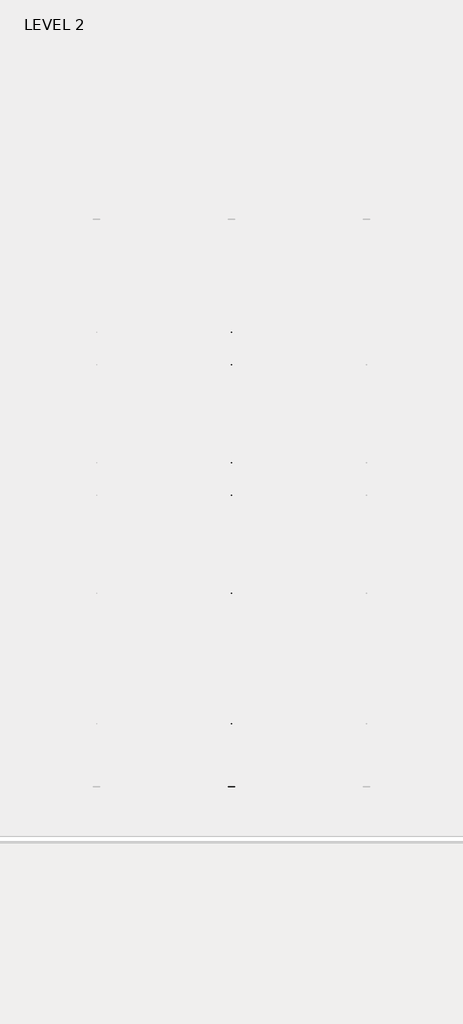
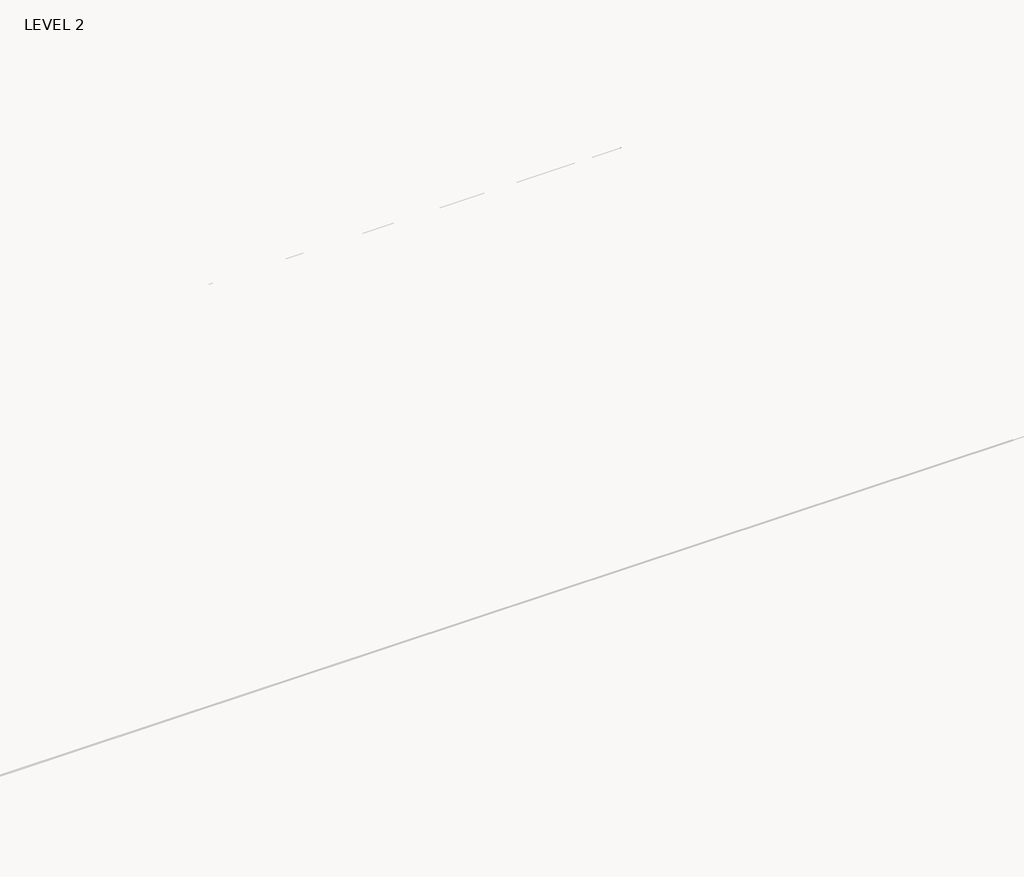
# One storey, part 21 of 67: 1 beam.
"""IFC4 building model written with IfcOpenShell, lengths in millimetres."""

from ifc_helpers import new_model, si_unit, frame, origin, place, context, project, spatial, polyline, outline, extrude, faceted_brep, element, save

model = new_model("IFC4")

# Units and contexts
model_context = context("Model", 3, world=origin())
ifc_project = project(units=[si_unit("LENGTHUNIT", "METRE", prefix="MILLI")], contexts=[model_context])

# Site, building, storey
site = spatial("IfcSite", under=ifc_project)
building = spatial("IfcBuilding", under=site)
storey = spatial("IfcBuildingStorey", under=building, Name="LEVEL 2", Elevation=6908.8)

# Beam
placement = place(None, origin())
element("IfcBeam", 1, ObjectType="K-Series Bar Joist-Angle Web : 12K3", at=placement, inside=storey, context=model_context, shape_type="SolidModel", body=[
    extrude(outline(polyline([(0.0, -9.525), (0.0, 0.0), (573.7533356, 0.0), (573.7533356, -9.525), (0.0, -9.525)])), frame((21757.2014942, -8384.1766844, 6274.5672718), z_axis=(0.0, -0.4795411183376203, 0.877519410510961), x_axis=(0.0, -0.877519410510961, -0.4795411183376203)), (0.0, 0.0, 1.0), 9.525),
    extrude(outline(polyline([(0.0, -9.525), (0.0, 0.0), (573.7533355, 0.0), (573.7533355, -9.525), (0.0, -9.525)])), frame((21747.6764942, -14434.54948, 6173.6092147), z_axis=(0.0, 0.44999728246087634, 0.8930299243462261), x_axis=(0.0, 0.8930299243462261, -0.44999728246087634)), (0.0, 0.0, 1.0), 9.525),
    extrude(outline(polyline([(4.7625, 4.7625), (4.7625, -4.7625), (-4.7625, -4.7625), (-4.7625, 4.7625), (4.7625, 4.7625)])), frame((21752.4389942, -8889.9401877, 6003.6081418), z_axis=(0.0, 0.544806995371806, 0.8385614692996246), x_axis=(-1.0, 0.0, 0.0)), (0.0, 0.0, 1.0), 321.5751107),
    extrude(outline(polyline([(4.7625, 4.7624999), (4.7625, -4.7625001), (-4.7625, -4.7625001), (-4.7625, 4.7624999), (4.7625, 4.7624999)])), frame((21752.4389942, -13920.0274702, 5919.6748279), z_axis=(0.0, -0.5724808070324194, 0.8199181212654773), x_axis=(-1.0, 0.0, 0.0)), (0.0, 0.0, 1.0), 321.5751107),
    extrude(outline(polyline([(0.0, 0.0), (31.75, 0.0), (31.75, -6.35), (6.35, -6.35), (6.35, -31.75), (0.0, -31.75), (0.0, 0.0)])), frame((21757.2014942, -14021.5073859, 5911.6306243), z_axis=(0.0, 0.9998608135288448, 0.01668393147422352), x_axis=(1.0, 0.0, 0.0)), (0.0, 0.0, 1.0), 5233.9875),
    extrude(outline(polyline([(-9.525, 0.0), (-9.525, -31.75), (-15.875, -31.75), (-15.875, -6.35), (-41.275, -6.35), (-41.275, 0.0), (-9.525, 0.0)])), frame((21757.2014942, -14021.5073859, 5911.6306243), z_axis=(0.0, 0.9998608135288448, 0.01668393147422352), x_axis=(1.0, 0.0, 0.0)), (0.0, 0.0, 1.0), 5233.9875),
    extrude(outline(polyline([(-31.75, 0.0), (0.0, 0.0), (0.0, -6.35), (-25.4, -6.35), (-25.4, -31.7500001), (-31.75, -31.7500001), (-31.75, 0.0)])), frame((21788.9514942, -14533.4625118, 6144.4216014), z_axis=(0.0, 0.9998608135288448, 0.01668393147422352), x_axis=(1.0, 0.0, 0.0)), (0.0, 0.0, 1.0), 101.6),
    extrude(outline(polyline([(-41.275, 0.0), (-41.275, -31.7500001), (-47.625, -31.7500001), (-47.625, -6.35), (-73.025, -6.35), (-73.025, 0.0), (-41.275, 0.0)])), frame((21788.9514942, -14533.4625118, 6144.4216014), z_axis=(0.0, 0.9998608135288448, 0.01668393147422352), x_axis=(1.0, 0.0, 0.0)), (0.0, 0.0, 1.0), 101.6),
    extrude(outline(polyline([(0.0, 0.0), (31.75, 0.0), (31.75, -6.35), (6.3499999, -6.35), (6.3499999, -31.75), (0.0, -31.75), (0.0, 0.0)])), frame((21747.6764942, -8385.9307842, 6247.0008772), z_axis=(0.0, 0.9998608135288448, 0.01668393147422352), x_axis=(0.0, -0.01668393147422352, 0.9998608135288448)), (0.0, 0.0, 1.0), 101.6),
    extrude(outline(polyline([(0.0, 41.275), (6.3499999, 41.275), (6.3499999, 15.875), (31.75, 15.875), (31.75, 9.525), (0.0, 9.525), (0.0, 41.275)])), frame((21747.6764942, -8385.9307842, 6247.0008772), z_axis=(0.0, 0.9998608135288448, 0.01668393147422352), x_axis=(0.0, -0.01668393147422352, 0.9998608135288448)), (0.0, 0.0, 1.0), 101.6),
    extrude(outline(polyline([(0.0, 0.0), (31.75, 0.0), (31.75, -6.35), (6.35, -6.35), (6.35, -31.75), (0.0, -31.75), (0.0, 0.0)])), frame((21757.2014942, -14534.5219415, 6207.9127631), z_axis=(0.0, 0.9998608135288448, 0.01668393147422352), x_axis=(0.0, 0.01668393147422352, -0.9998608135288448)), (0.0, 0.0, 1.0), 6249.9875),
    extrude(outline(polyline([(0.0, 9.525), (0.0, 41.275), (6.35, 41.275), (6.35, 15.875), (31.75, 15.875), (31.75, 9.525), (0.0, 9.525)])), frame((21757.2014942, -14534.5219415, 6207.9127631), z_axis=(0.0, 0.9998608135288448, 0.01668393147422352), x_axis=(0.0, 0.01668393147422352, -0.9998608135288448)), (0.0, 0.0, 1.0), 6249.9875),
    faceted_brep([(21752.4389942, -8890.2050452, 6019.4809322), (21752.4389942, -8889.8872163, 6000.4335837), (21747.6764942, -8889.8872163, 6000.4335837), (21747.6764942, -8890.2050452, 6019.4809322), (21752.4389942, -8891.1508598, 6019.4651501), (21752.4389942, -9062.7600923, 6296.040529), (21752.4389942, -9080.8616261, 6295.7384822), (21752.4389942, -9080.5437973, 6276.6911337), (21752.4389942, -9073.2488664, 6276.8128588), (21752.4389942, -8901.6396339, 6000.2374799), (21747.6764942, -8901.6396339, 6000.2374799), (21747.6764942, -8923.090788, 6034.8094023), (21747.6764942, -8919.0439949, 6037.3203527), (21747.6764942, -9059.4515488, 6263.609299), (21747.6764942, -9063.4983419, 6261.0983486), (21747.6764942, -9073.2488664, 6276.8128588), (21747.6764942, -9080.5437973, 6276.6911337), (21747.6764942, -9080.8616261, 6295.7384822), (21747.6764942, -9062.7600923, 6296.040529), (21747.6764942, -8891.1508598, 6019.4651501), (21734.9764942, -9063.4983419, 6261.0983486), (21734.9764942, -8923.090788, 6034.8094023), (21734.9764942, -8919.0439949, 6037.3203527), (21734.9764942, -9059.4515488, 6263.609299)], [[[0, 1, 2, 3]], [[1, 0, 4, 5, 6, 7, 8, 9]], [[2, 1, 9, 10]], [[3, 2, 10, 11, 12, 13, 14, 15, 16, 17, 18, 19]], [[0, 3, 19, 4]], [[9, 8, 15, 14, 20, 21, 11, 10]], [[5, 4, 19, 18]], [[7, 6, 17, 16]], [[8, 7, 16, 15]], [[6, 5, 18, 17]], [[21, 22, 12, 11]], [[20, 14, 13, 23]], [[22, 21, 20, 23]], [[12, 22, 23, 13]]]),
    extrude(outline(polyline([(-9249.179165, 5994.438347), (-9249.4969939, 6013.4856955), (-9248.5511793, 6013.5014776), (-9086.2649277, 6295.6483214), (-9068.1633938, 6295.9503682), (-9067.8455649, 6276.9030197), (-9075.1404957, 6276.7812946), (-9237.4267473, 5994.6344509), (-9249.179165, 5994.438347)])), frame((21752.4389942, 0.0, 0.0), z_axis=(1.0, 0.0, 0.0), x_axis=(0.0, 1.0, 0.0)), (0.0, 0.0, 1.0), 4.7625),
    extrude(outline(polyline([(-4.7625, 4.7625), (-4.7625, 0.0), (-17.4625, 0.0), (-17.4625, 4.7625), (-4.7625, 4.7625)])), frame((21752.4389942, -9217.1409659, 6029.9028063), z_axis=(0.0, 0.4985907589692029, 0.866837502113582), x_axis=(-1.0, 0.0, 0.0)), (0.0, 0.0, 1.0), 266.3099105),
    faceted_brep([(21752.4389942, -13561.0003788, 5941.542855), (21752.4389942, -13560.68255, 5922.4955065), (21747.6764942, -13560.68255, 5922.4955065), (21747.6764942, -13561.0003788, 5941.542855), (21752.4389942, -13561.9461935, 5941.5270729), (21752.4389942, -13733.555426, 6218.1024518), (21752.4389942, -13751.6569598, 6217.800405), (21752.4389942, -13751.3391309, 6198.7530565), (21752.4389942, -13744.0442001, 6198.8747816), (21752.4389942, -13572.4349676, 5922.2994027), (21747.6764942, -13572.4349676, 5922.2994027), (21747.6764942, -13593.8861217, 5956.8713251), (21747.6764942, -13589.8393286, 5959.3822755), (21747.6764942, -13730.2468825, 6185.6712218), (21747.6764942, -13734.2936756, 6183.1602714), (21747.6764942, -13744.0442001, 6198.8747816), (21747.6764942, -13751.3391309, 6198.7530565), (21747.6764942, -13751.6569598, 6217.800405), (21747.6764942, -13733.555426, 6218.1024518), (21747.6764942, -13561.9461935, 5941.5270729), (21734.9764942, -13734.2936756, 6183.1602714), (21734.9764942, -13593.8861217, 5956.8713251), (21734.9764942, -13589.8393286, 5959.3822755), (21734.9764942, -13730.2468825, 6185.6712218)], [[[0, 1, 2, 3]], [[1, 0, 4, 5, 6, 7, 8, 9]], [[2, 1, 9, 10]], [[3, 2, 10, 11, 12, 13, 14, 15, 16, 17, 18, 19]], [[0, 3, 19, 4]], [[9, 8, 15, 14, 20, 21, 11, 10]], [[5, 4, 19, 18]], [[7, 6, 17, 16]], [[8, 7, 16, 15]], [[6, 5, 18, 17]], [[21, 22, 12, 11]], [[20, 14, 13, 23]], [[22, 21, 20, 23]], [[12, 22, 23, 13]]]),
    extrude(outline(polyline([(-13919.9744987, 5916.5002698), (-13920.2923276, 5935.5476183), (-13919.346513, 5935.5634004), (-13757.0602614, 6217.7102442), (-13738.9587275, 6218.0122909), (-13738.6408986, 6198.9649425), (-13745.9358294, 6198.8432174), (-13908.222081, 5916.6963737), (-13919.9744987, 5916.5002698)])), frame((21752.4389942, 0.0, 0.0), z_axis=(1.0, 0.0, 0.0), x_axis=(0.0, 1.0, 0.0)), (0.0, 0.0, 1.0), 4.7625),
    extrude(outline(polyline([(-4.7625, 4.7625), (-4.7625, 0.0), (-17.4625, 0.0), (-17.4625, 4.7625), (-4.7625, 4.7625)])), frame((21752.4389942, -13887.9362996, 5951.9647291), z_axis=(0.0, 0.4985907589692029, 0.866837502113582), x_axis=(-1.0, 0.0, 0.0)), (0.0, 0.0, 1.0), 266.3099105),
    faceted_brep([(21752.4389942, -9249.4969939, 6013.4856955), (21752.4389942, -9249.179165, 5994.438347), (21747.6764942, -9249.179165, 5994.438347), (21747.6764942, -9249.4969939, 6013.4856955), (21752.4389942, -9250.4428085, 6013.4699134), (21752.4389942, -9422.052041, 6290.0452923), (21752.4389942, -9440.1535749, 6289.7432455), (21752.4389942, -9439.835746, 6270.695897), (21752.4389942, -9432.5408152, 6270.8176221), (21752.4389942, -9260.9315827, 5994.2422432), (21747.6764942, -9260.9315827, 5994.2422432), (21747.6764942, -9282.3827368, 6028.8141656), (21747.6764942, -9278.3359437, 6031.325116), (21747.6764942, -9418.7434975, 6257.6140623), (21747.6764942, -9422.7902906, 6255.1031119), (21747.6764942, -9432.5408152, 6270.8176221), (21747.6764942, -9439.835746, 6270.695897), (21747.6764942, -9440.1535749, 6289.7432455), (21747.6764942, -9422.052041, 6290.0452923), (21747.6764942, -9250.4428085, 6013.4699134), (21734.9764942, -9422.7902906, 6255.1031119), (21734.9764942, -9282.3827368, 6028.8141656), (21734.9764942, -9278.3359437, 6031.325116), (21734.9764942, -9418.7434975, 6257.6140623)], [[[0, 1, 2, 3]], [[1, 0, 4, 5, 6, 7, 8, 9]], [[2, 1, 9, 10]], [[3, 2, 10, 11, 12, 13, 14, 15, 16, 17, 18, 19]], [[0, 3, 19, 4]], [[9, 8, 15, 14, 20, 21, 11, 10]], [[5, 4, 19, 18]], [[7, 6, 17, 16]], [[8, 7, 16, 15]], [[6, 5, 18, 17]], [[21, 22, 12, 11]], [[20, 14, 13, 23]], [[22, 21, 20, 23]], [[12, 22, 23, 13]]]),
    extrude(outline(polyline([(-9608.4711137, 5988.4431103), (-9608.7889426, 6007.4904588), (-9607.843128, 6007.5062409), (-9445.5568764, 6289.6530847), (-9427.4553426, 6289.9551314), (-9427.1375137, 6270.9077829), (-9434.4324445, 6270.7860579), (-9596.7186961, 5988.6392142), (-9608.4711137, 5988.4431103)])), frame((21752.4389942, 0.0, 0.0), z_axis=(1.0, 0.0, 0.0), x_axis=(0.0, 1.0, 0.0)), (0.0, 0.0, 1.0), 4.7625),
    extrude(outline(polyline([(-4.7625, 4.7625), (-4.7625, 0.0), (-17.4625, 0.0), (-17.4625, 4.7625), (-4.7625, 4.7625)])), frame((21752.4389942, -9576.4329146, 6023.9075696), z_axis=(0.0, 0.4985907589692029, 0.866837502113582), x_axis=(-1.0, 0.0, 0.0)), (0.0, 0.0, 1.0), 266.3099105),
    faceted_brep([(21752.4389942, -9608.7889426, 6007.4904588), (21752.4389942, -9608.4711137, 5988.4431103), (21747.6764942, -9608.4711137, 5988.4431103), (21747.6764942, -9608.7889426, 6007.4904588), (21752.4389942, -9609.7347573, 6007.4746767), (21752.4389942, -9781.3439898, 6284.0500556), (21752.4389942, -9799.4455236, 6283.7480088), (21752.4389942, -9799.1276947, 6264.7006603), (21752.4389942, -9791.8327639, 6264.8223854), (21752.4389942, -9620.2235314, 5988.2470065), (21747.6764942, -9620.2235314, 5988.2470065), (21747.6764942, -9641.6746855, 6022.8189289), (21747.6764942, -9637.6278924, 6025.3298793), (21747.6764942, -9778.0354463, 6251.6188256), (21747.6764942, -9782.0822394, 6249.1078752), (21747.6764942, -9791.8327639, 6264.8223854), (21747.6764942, -9799.1276947, 6264.7006603), (21747.6764942, -9799.4455236, 6283.7480088), (21747.6764942, -9781.3439898, 6284.0500556), (21747.6764942, -9609.7347573, 6007.4746767), (21734.9764942, -9782.0822394, 6249.1078752), (21734.9764942, -9641.6746855, 6022.8189289), (21734.9764942, -9637.6278924, 6025.3298793), (21734.9764942, -9778.0354463, 6251.6188256)], [[[0, 1, 2, 3]], [[1, 0, 4, 5, 6, 7, 8, 9]], [[2, 1, 9, 10]], [[3, 2, 10, 11, 12, 13, 14, 15, 16, 17, 18, 19]], [[0, 3, 19, 4]], [[9, 8, 15, 14, 20, 21, 11, 10]], [[5, 4, 19, 18]], [[7, 6, 17, 16]], [[8, 7, 16, 15]], [[6, 5, 18, 17]], [[21, 22, 12, 11]], [[20, 14, 13, 23]], [[22, 21, 20, 23]], [[12, 22, 23, 13]]]),
    extrude(outline(polyline([(-9967.7630625, 5982.4478736), (-9968.0808914, 6001.4952221), (-9967.1350767, 6001.5110042), (-9804.8488252, 6283.6578479), (-9786.7472913, 6283.9598947), (-9786.4294624, 6264.9125462), (-9793.7243932, 6264.7908212), (-9956.0106448, 5982.6439774), (-9967.7630625, 5982.4478736)])), frame((21752.4389942, 0.0, 0.0), z_axis=(1.0, 0.0, 0.0), x_axis=(0.0, 1.0, 0.0)), (0.0, 0.0, 1.0), 4.7625),
    extrude(outline(polyline([(-4.7625, 4.7625), (-4.7625, 0.0), (-17.4625, 0.0), (-17.4625, 4.7625), (-4.7625, 4.7625)])), frame((21752.4389942, -9935.7248634, 6017.9123329), z_axis=(0.0, 0.4985907589692029, 0.866837502113582), x_axis=(-1.0, 0.0, 0.0)), (0.0, 0.0, 1.0), 266.3099105),
    faceted_brep([(21752.4389942, -9968.0808914, 6001.4952221), (21752.4389942, -9967.7630625, 5982.4478736), (21747.6764942, -9967.7630625, 5982.4478736), (21747.6764942, -9968.0808914, 6001.4952221), (21752.4389942, -9969.026706, 6001.47944), (21752.4389942, -10140.6359385, 6278.0548189), (21752.4389942, -10158.7374724, 6277.7527721), (21752.4389942, -10158.4196435, 6258.7054236), (21752.4389942, -10151.1247127, 6258.8271487), (21752.4389942, -9979.5154802, 5982.2517698), (21747.6764942, -9979.5154802, 5982.2517698), (21747.6764942, -10000.9666342, 6016.8236922), (21747.6764942, -9996.9198412, 6019.3346425), (21747.6764942, -10137.327395, 6245.6235889), (21747.6764942, -10141.3741881, 6243.1126385), (21747.6764942, -10151.1247127, 6258.8271487), (21747.6764942, -10158.4196435, 6258.7054236), (21747.6764942, -10158.7374724, 6277.7527721), (21747.6764942, -10140.6359385, 6278.0548189), (21747.6764942, -9969.026706, 6001.47944), (21734.9764942, -10141.3741881, 6243.1126385), (21734.9764942, -10000.9666342, 6016.8236922), (21734.9764942, -9996.9198412, 6019.3346425), (21734.9764942, -10137.327395, 6245.6235889)], [[[0, 1, 2, 3]], [[1, 0, 4, 5, 6, 7, 8, 9]], [[2, 1, 9, 10]], [[3, 2, 10, 11, 12, 13, 14, 15, 16, 17, 18, 19]], [[0, 3, 19, 4]], [[9, 8, 15, 14, 20, 21, 11, 10]], [[5, 4, 19, 18]], [[7, 6, 17, 16]], [[8, 7, 16, 15]], [[6, 5, 18, 17]], [[21, 22, 12, 11]], [[20, 14, 13, 23]], [[22, 21, 20, 23]], [[12, 22, 23, 13]]]),
    extrude(outline(polyline([(-10327.0550112, 5976.4526369), (-10327.3728401, 5995.4999854), (-10326.4270255, 5995.5157675), (-10164.1407739, 6277.6626112), (-10146.0392401, 6277.964658), (-10145.7214112, 6258.9173095), (-10153.016342, 6258.7955845), (-10315.3025935, 5976.6487407), (-10327.0550112, 5976.4526369)])), frame((21752.4389942, 0.0, 0.0), z_axis=(1.0, 0.0, 0.0), x_axis=(0.0, 1.0, 0.0)), (0.0, 0.0, 1.0), 4.7625),
    extrude(outline(polyline([(-4.7625, 4.7625), (-4.7625, 0.0), (-17.4625, 0.0), (-17.4625, 4.7625), (-4.7625, 4.7625)])), frame((21752.4389942, -10295.0168121, 6011.9170962), z_axis=(0.0, 0.4985907589692029, 0.866837502113582), x_axis=(-1.0, 0.0, 0.0)), (0.0, 0.0, 1.0), 266.3099105),
    faceted_brep([(21752.4389942, -10327.3728401, 5995.4999854), (21752.4389942, -10327.0550112, 5976.4526369), (21747.6764942, -10327.0550112, 5976.4526369), (21747.6764942, -10327.3728401, 5995.4999854), (21752.4389942, -10328.3186548, 5995.4842033), (21752.4389942, -10499.9278873, 6272.0595822), (21752.4389942, -10518.0294211, 6271.7575354), (21752.4389942, -10517.7115922, 6252.7101869), (21752.4389942, -10510.4166614, 6252.831912), (21752.4389942, -10338.8074289, 5976.2565331), (21747.6764942, -10338.8074289, 5976.2565331), (21747.6764942, -10360.258583, 6010.8284554), (21747.6764942, -10356.2117899, 6013.3394058), (21747.6764942, -10496.6193438, 6239.6283522), (21747.6764942, -10500.6661369, 6237.1174018), (21747.6764942, -10510.4166614, 6252.831912), (21747.6764942, -10517.7115922, 6252.7101869), (21747.6764942, -10518.0294211, 6271.7575354), (21747.6764942, -10499.9278873, 6272.0595822), (21747.6764942, -10328.3186548, 5995.4842033), (21734.9764942, -10500.6661369, 6237.1174018), (21734.9764942, -10360.258583, 6010.8284554), (21734.9764942, -10356.2117899, 6013.3394058), (21734.9764942, -10496.6193438, 6239.6283522)], [[[0, 1, 2, 3]], [[1, 0, 4, 5, 6, 7, 8, 9]], [[2, 1, 9, 10]], [[3, 2, 10, 11, 12, 13, 14, 15, 16, 17, 18, 19]], [[0, 3, 19, 4]], [[9, 8, 15, 14, 20, 21, 11, 10]], [[5, 4, 19, 18]], [[7, 6, 17, 16]], [[8, 7, 16, 15]], [[6, 5, 18, 17]], [[21, 22, 12, 11]], [[20, 14, 13, 23]], [[22, 21, 20, 23]], [[12, 22, 23, 13]]]),
    extrude(outline(polyline([(-10686.34696, 5970.4574002), (-10686.6647889, 5989.5047487), (-10685.7189742, 5989.5205308), (-10523.4327227, 6271.6673745), (-10505.3311888, 6271.9694213), (-10505.0133599, 6252.9220728), (-10512.3082907, 6252.8003478), (-10674.5945423, 5970.653504), (-10686.34696, 5970.4574002)])), frame((21752.4389942, 0.0, 0.0), z_axis=(1.0, 0.0, 0.0), x_axis=(0.0, 1.0, 0.0)), (0.0, 0.0, 1.0), 4.7625),
    extrude(outline(polyline([(-4.7625, 4.7625001), (-4.7625, 0.0), (-17.4625, 0.0), (-17.4625, 4.7625001), (-4.7625, 4.7625001)])), frame((21752.4389942, -10654.3087608, 6005.9218595), z_axis=(0.0, 0.4985907589692029, 0.866837502113582), x_axis=(-1.0, 0.0, 0.0)), (0.0, 0.0, 1.0), 266.3099105),
    faceted_brep([(21752.4389942, -10686.6647889, 5989.5047487), (21752.4389942, -10686.34696, 5970.4574002), (21747.6764942, -10686.34696, 5970.4574002), (21747.6764942, -10686.6647889, 5989.5047487), (21752.4389942, -10687.6106035, 5989.4889666), (21752.4389942, -10859.219836, 6266.0643455), (21752.4389942, -10877.3213699, 6265.7622987), (21752.4389942, -10877.003541, 6246.7149502), (21752.4389942, -10869.7086102, 6246.8366753), (21752.4389942, -10698.0993777, 5970.2612964), (21747.6764942, -10698.0993777, 5970.2612964), (21747.6764942, -10719.5505317, 6004.8332187), (21747.6764942, -10715.5037386, 6007.3441691), (21747.6764942, -10855.9112925, 6233.6331155), (21747.6764942, -10859.9580856, 6231.1221651), (21747.6764942, -10869.7086102, 6246.8366753), (21747.6764942, -10877.003541, 6246.7149502), (21747.6764942, -10877.3213699, 6265.7622987), (21747.6764942, -10859.219836, 6266.0643455), (21747.6764942, -10687.6106035, 5989.4889666), (21734.9764942, -10859.9580856, 6231.1221651), (21734.9764942, -10719.5505317, 6004.8332187), (21734.9764942, -10715.5037386, 6007.3441691), (21734.9764942, -10855.9112925, 6233.6331155)], [[[0, 1, 2, 3]], [[1, 0, 4, 5, 6, 7, 8, 9]], [[2, 1, 9, 10]], [[3, 2, 10, 11, 12, 13, 14, 15, 16, 17, 18, 19]], [[0, 3, 19, 4]], [[9, 8, 15, 14, 20, 21, 11, 10]], [[5, 4, 19, 18]], [[7, 6, 17, 16]], [[8, 7, 16, 15]], [[6, 5, 18, 17]], [[21, 22, 12, 11]], [[20, 14, 13, 23]], [[22, 21, 20, 23]], [[12, 22, 23, 13]]]),
    extrude(outline(polyline([(-11045.6389087, 5964.4621635), (-11045.9567376, 5983.509512), (-11045.010923, 5983.5252941), (-10882.7246714, 6265.6721378), (-10864.6231375, 6265.9741846), (-10864.3053086, 6246.9268361), (-10871.6002395, 6246.805111), (-11033.886491, 5964.6582673), (-11045.6389087, 5964.4621635)])), frame((21752.4389942, 0.0, 0.0), z_axis=(1.0, 0.0, 0.0), x_axis=(0.0, 1.0, 0.0)), (0.0, 0.0, 1.0), 4.7625),
    extrude(outline(polyline([(-4.7625, 4.7625), (-4.7625, 0.0), (-17.4625, 0.0), (-17.4625, 4.7625), (-4.7625, 4.7625)])), frame((21752.4389942, -11013.6007096, 5999.9266228), z_axis=(0.0, 0.4985907589692029, 0.866837502113582), x_axis=(-1.0, 0.0, 0.0)), (0.0, 0.0, 1.0), 266.3099105),
    faceted_brep([(21752.4389942, -11045.9567376, 5983.509512), (21752.4389942, -11045.6389087, 5964.4621635), (21747.6764942, -11045.6389087, 5964.4621635), (21747.6764942, -11045.9567376, 5983.509512), (21752.4389942, -11046.9025523, 5983.4937299), (21752.4389942, -11218.5117848, 6260.0691088), (21752.4389942, -11236.6133186, 6259.767062), (21752.4389942, -11236.2954897, 6240.7197135), (21752.4389942, -11229.0005589, 6240.8414385), (21752.4389942, -11057.3913264, 5964.2660597), (21747.6764942, -11057.3913264, 5964.2660597), (21747.6764942, -11078.8424805, 5998.837982), (21747.6764942, -11074.7956874, 6001.3489324), (21747.6764942, -11215.2032413, 6227.6378788), (21747.6764942, -11219.2500343, 6225.1269284), (21747.6764942, -11229.0005589, 6240.8414385), (21747.6764942, -11236.2954897, 6240.7197135), (21747.6764942, -11236.6133186, 6259.767062), (21747.6764942, -11218.5117848, 6260.0691088), (21747.6764942, -11046.9025523, 5983.4937299), (21734.9764942, -11219.2500343, 6225.1269284), (21734.9764942, -11078.8424805, 5998.837982), (21734.9764942, -11074.7956874, 6001.3489324), (21734.9764942, -11215.2032413, 6227.6378788)], [[[0, 1, 2, 3]], [[1, 0, 4, 5, 6, 7, 8, 9]], [[2, 1, 9, 10]], [[3, 2, 10, 11, 12, 13, 14, 15, 16, 17, 18, 19]], [[0, 3, 19, 4]], [[9, 8, 15, 14, 20, 21, 11, 10]], [[5, 4, 19, 18]], [[7, 6, 17, 16]], [[8, 7, 16, 15]], [[6, 5, 18, 17]], [[21, 22, 12, 11]], [[20, 14, 13, 23]], [[22, 21, 20, 23]], [[12, 22, 23, 13]]]),
    extrude(outline(polyline([(-11404.9308575, 5958.4669268), (-11405.2486864, 5977.5142753), (-11404.3028717, 5977.5300574), (-11242.0166201, 6259.6769011), (-11223.9150863, 6259.9789479), (-11223.5972574, 6240.9315994), (-11230.8921882, 6240.8098743), (-11393.1784398, 5958.6630306), (-11404.9308575, 5958.4669268)])), frame((21752.4389942, 0.0, 0.0), z_axis=(1.0, 0.0, 0.0), x_axis=(0.0, 1.0, 0.0)), (0.0, 0.0, 1.0), 4.7625),
    extrude(outline(polyline([(-4.7625, 4.7625), (-4.7625, 0.0), (-17.4625, 0.0), (-17.4625, 4.7625), (-4.7625, 4.7625)])), frame((21752.4389942, -11372.8926583, 5993.9313861), z_axis=(0.0, 0.4985907589692029, 0.866837502113582), x_axis=(-1.0, 0.0, 0.0)), (0.0, 0.0, 1.0), 266.3099105),
    faceted_brep([(21752.4389942, -11405.2486864, 5977.5142753), (21752.4389942, -11404.9308575, 5958.4669268), (21747.6764942, -11404.9308575, 5958.4669268), (21747.6764942, -11405.2486864, 5977.5142753), (21752.4389942, -11406.194501, 5977.4984932), (21752.4389942, -11577.8037335, 6254.0738721), (21752.4389942, -11595.9052674, 6253.7718253), (21752.4389942, -11595.5874385, 6234.7244768), (21752.4389942, -11588.2925077, 6234.8462018), (21752.4389942, -11416.6832752, 5958.270823), (21747.6764942, -11416.6832752, 5958.270823), (21747.6764942, -11438.1344292, 5992.8427453), (21747.6764942, -11434.0876361, 5995.3536957), (21747.6764942, -11574.49519, 6221.6426421), (21747.6764942, -11578.5419831, 6219.1316917), (21747.6764942, -11588.2925077, 6234.8462018), (21747.6764942, -11595.5874385, 6234.7244768), (21747.6764942, -11595.9052674, 6253.7718253), (21747.6764942, -11577.8037335, 6254.0738721), (21747.6764942, -11406.194501, 5977.4984932), (21734.9764942, -11578.5419831, 6219.1316917), (21734.9764942, -11438.1344292, 5992.8427453), (21734.9764942, -11434.0876361, 5995.3536957), (21734.9764942, -11574.49519, 6221.6426421)], [[[0, 1, 2, 3]], [[1, 0, 4, 5, 6, 7, 8, 9]], [[2, 1, 9, 10]], [[3, 2, 10, 11, 12, 13, 14, 15, 16, 17, 18, 19]], [[0, 3, 19, 4]], [[9, 8, 15, 14, 20, 21, 11, 10]], [[5, 4, 19, 18]], [[7, 6, 17, 16]], [[8, 7, 16, 15]], [[6, 5, 18, 17]], [[21, 22, 12, 11]], [[20, 14, 13, 23]], [[22, 21, 20, 23]], [[12, 22, 23, 13]]]),
    extrude(outline(polyline([(-11764.2228062, 5952.4716901), (-11764.5406351, 5971.5190386), (-11763.5948205, 5971.5348207), (-11601.3085689, 6253.6816644), (-11583.207035, 6253.9837112), (-11582.8892061, 6234.9363627), (-11590.1841369, 6234.8146376), (-11752.4703885, 5952.6677939), (-11764.2228062, 5952.4716901)])), frame((21752.4389942, 0.0, 0.0), z_axis=(1.0, 0.0, 0.0), x_axis=(0.0, 1.0, 0.0)), (0.0, 0.0, 1.0), 4.7625),
    extrude(outline(polyline([(-4.7625, 4.7625), (-4.7625, 0.0), (-17.4625, 0.0), (-17.4625, 4.7625), (-4.7625, 4.7625)])), frame((21752.4389942, -11732.1846071, 5987.9361494), z_axis=(0.0, 0.4985907589692029, 0.866837502113582), x_axis=(-1.0, 0.0, 0.0)), (0.0, 0.0, 1.0), 266.3099105),
    faceted_brep([(21752.4389942, -11764.5406351, 5971.5190386), (21752.4389942, -11764.2228062, 5952.4716901), (21747.6764942, -11764.2228062, 5952.4716901), (21747.6764942, -11764.5406351, 5971.5190386), (21752.4389942, -11765.4864498, 5971.5032565), (21752.4389942, -11937.0956823, 6248.0786354), (21752.4389942, -11955.1972161, 6247.7765886), (21752.4389942, -11954.8793872, 6228.7292401), (21752.4389942, -11947.5844564, 6228.8509651), (21752.4389942, -11775.9752239, 5952.2755863), (21747.6764942, -11775.9752239, 5952.2755863), (21747.6764942, -11797.426378, 5986.8475086), (21747.6764942, -11793.3795849, 5989.358459), (21747.6764942, -11933.7871387, 6215.6474054), (21747.6764942, -11937.8339318, 6213.136455), (21747.6764942, -11947.5844564, 6228.8509651), (21747.6764942, -11954.8793872, 6228.7292401), (21747.6764942, -11955.1972161, 6247.7765886), (21747.6764942, -11937.0956823, 6248.0786354), (21747.6764942, -11765.4864498, 5971.5032565), (21734.9764942, -11937.8339318, 6213.136455), (21734.9764942, -11797.426378, 5986.8475086), (21734.9764942, -11793.3795849, 5989.358459), (21734.9764942, -11933.7871387, 6215.6474054)], [[[0, 1, 2, 3]], [[1, 0, 4, 5, 6, 7, 8, 9]], [[2, 1, 9, 10]], [[3, 2, 10, 11, 12, 13, 14, 15, 16, 17, 18, 19]], [[0, 3, 19, 4]], [[9, 8, 15, 14, 20, 21, 11, 10]], [[5, 4, 19, 18]], [[7, 6, 17, 16]], [[8, 7, 16, 15]], [[6, 5, 18, 17]], [[21, 22, 12, 11]], [[20, 14, 13, 23]], [[22, 21, 20, 23]], [[12, 22, 23, 13]]]),
    extrude(outline(polyline([(-12123.514755, 5946.4764534), (-12123.8325839, 5965.5238019), (-12122.8867692, 5965.539584), (-11960.6005176, 6247.6864277), (-11942.4989838, 6247.9884745), (-11942.1811549, 6228.941126), (-11949.4760857, 6228.8194009), (-12111.7623373, 5946.6725572), (-12123.514755, 5946.4764534)])), frame((21752.4389942, 0.0, 0.0), z_axis=(1.0, 0.0, 0.0), x_axis=(0.0, 1.0, 0.0)), (0.0, 0.0, 1.0), 4.7625),
    extrude(outline(polyline([(-4.7625, 4.7625), (-4.7625, 0.0), (-17.4625, 0.0), (-17.4625, 4.7625), (-4.7625, 4.7625)])), frame((21752.4389942, -12091.4765558, 5981.9409127), z_axis=(0.0, 0.4985907589692029, 0.866837502113582), x_axis=(-1.0, 0.0, 0.0)), (0.0, 0.0, 1.0), 266.3099105),
    faceted_brep([(21752.4389942, -12123.8325839, 5965.5238019), (21752.4389942, -12123.514755, 5946.4764534), (21747.6764942, -12123.514755, 5946.4764534), (21747.6764942, -12123.8325839, 5965.5238019), (21752.4389942, -12124.7783985, 5965.5080198), (21752.4389942, -12296.387631, 6242.0833986), (21752.4389942, -12314.4891649, 6241.7813519), (21752.4389942, -12314.171336, 6222.7340034), (21752.4389942, -12306.8764052, 6222.8557284), (21752.4389942, -12135.2671727, 5946.2803495), (21747.6764942, -12135.2671727, 5946.2803495), (21747.6764942, -12156.7183267, 5980.8522719), (21747.6764942, -12152.6715336, 5983.3632223), (21747.6764942, -12293.0790875, 6209.6521687), (21747.6764942, -12297.1258806, 6207.1412183), (21747.6764942, -12306.8764052, 6222.8557284), (21747.6764942, -12314.171336, 6222.7340034), (21747.6764942, -12314.4891649, 6241.7813519), (21747.6764942, -12296.387631, 6242.0833986), (21747.6764942, -12124.7783985, 5965.5080198), (21734.9764942, -12297.1258806, 6207.1412183), (21734.9764942, -12156.7183267, 5980.8522719), (21734.9764942, -12152.6715336, 5983.3632223), (21734.9764942, -12293.0790875, 6209.6521687)], [[[0, 1, 2, 3]], [[1, 0, 4, 5, 6, 7, 8, 9]], [[2, 1, 9, 10]], [[3, 2, 10, 11, 12, 13, 14, 15, 16, 17, 18, 19]], [[0, 3, 19, 4]], [[9, 8, 15, 14, 20, 21, 11, 10]], [[5, 4, 19, 18]], [[7, 6, 17, 16]], [[8, 7, 16, 15]], [[6, 5, 18, 17]], [[21, 22, 12, 11]], [[20, 14, 13, 23]], [[22, 21, 20, 23]], [[12, 22, 23, 13]]]),
    extrude(outline(polyline([(-12482.8067037, 5940.4812167), (-12483.1245326, 5959.5285652), (-12482.178718, 5959.5443473), (-12319.8924664, 6241.691191), (-12301.7909325, 6241.9932378), (-12301.4731036, 6222.9458893), (-12308.7680344, 6222.8241642), (-12471.054286, 5940.6773205), (-12482.8067037, 5940.4812167)])), frame((21752.4389942, 0.0, 0.0), z_axis=(1.0, 0.0, 0.0), x_axis=(0.0, 1.0, 0.0)), (0.0, 0.0, 1.0), 4.7625),
    extrude(outline(polyline([(-4.7625, 4.7625), (-4.7625, 0.0), (-17.4625, 0.0), (-17.4625, 4.7625), (-4.7625, 4.7625)])), frame((21752.4389942, -12450.7685046, 5975.945676), z_axis=(0.0, 0.4985907589692029, 0.866837502113582), x_axis=(-1.0, 0.0, 0.0)), (0.0, 0.0, 1.0), 266.3099105),
    faceted_brep([(21752.4389942, -12483.1245326, 5959.5285652), (21752.4389942, -12482.8067037, 5940.4812167), (21747.6764942, -12482.8067037, 5940.4812167), (21747.6764942, -12483.1245326, 5959.5285652), (21752.4389942, -12484.0703473, 5959.5127831), (21752.4389942, -12655.6795797, 6236.0881619), (21752.4389942, -12673.7811136, 6235.7861151), (21752.4389942, -12673.4632847, 6216.7387666), (21752.4389942, -12666.1683539, 6216.8604917), (21752.4389942, -12494.5591214, 5940.2851128), (21747.6764942, -12494.5591214, 5940.2851128), (21747.6764942, -12516.0102755, 5974.8570352), (21747.6764942, -12511.9634824, 5977.3679856), (21747.6764942, -12652.3710362, 6203.6569319), (21747.6764942, -12656.4178293, 6201.1459816), (21747.6764942, -12666.1683539, 6216.8604917), (21747.6764942, -12673.4632847, 6216.7387666), (21747.6764942, -12673.7811136, 6235.7861151), (21747.6764942, -12655.6795797, 6236.0881619), (21747.6764942, -12484.0703473, 5959.5127831), (21734.9764942, -12656.4178293, 6201.1459816), (21734.9764942, -12516.0102755, 5974.8570352), (21734.9764942, -12511.9634824, 5977.3679856), (21734.9764942, -12652.3710362, 6203.6569319)], [[[0, 1, 2, 3]], [[1, 0, 4, 5, 6, 7, 8, 9]], [[2, 1, 9, 10]], [[3, 2, 10, 11, 12, 13, 14, 15, 16, 17, 18, 19]], [[0, 3, 19, 4]], [[9, 8, 15, 14, 20, 21, 11, 10]], [[5, 4, 19, 18]], [[7, 6, 17, 16]], [[8, 7, 16, 15]], [[6, 5, 18, 17]], [[21, 22, 12, 11]], [[20, 14, 13, 23]], [[22, 21, 20, 23]], [[12, 22, 23, 13]]]),
    extrude(outline(polyline([(-12842.0986525, 5934.48598), (-12842.4164814, 5953.5333285), (-12841.4706667, 5953.5491106), (-12679.1844151, 6235.6959543), (-12661.0828813, 6235.9980011), (-12660.7650524, 6216.9506526), (-12668.0599832, 6216.8289275), (-12830.3462348, 5934.6820838), (-12842.0986525, 5934.48598)])), frame((21752.4389942, 0.0, 0.0), z_axis=(1.0, 0.0, 0.0), x_axis=(0.0, 1.0, 0.0)), (0.0, 0.0, 1.0), 4.7625),
    extrude(outline(polyline([(-4.7625, 4.7625), (-4.7625, 0.0), (-17.4625, 0.0), (-17.4625, 4.7625), (-4.7625, 4.7625)])), frame((21752.4389942, -12810.0604533, 5969.9504392), z_axis=(0.0, 0.4985907589692029, 0.866837502113582), x_axis=(-1.0, 0.0, 0.0)), (0.0, 0.0, 1.0), 266.3099105),
    faceted_brep([(21752.4389942, -12842.4164814, 5953.5333285), (21752.4389942, -12842.0986525, 5934.48598), (21747.6764942, -12842.0986525, 5934.48598), (21747.6764942, -12842.4164814, 5953.5333285), (21752.4389942, -12843.362296, 5953.5175464), (21752.4389942, -13014.9715285, 6230.0929252), (21752.4389942, -13033.0730623, 6229.7908784), (21752.4389942, -13032.7552335, 6210.7435299), (21752.4389942, -13025.4603026, 6210.865255), (21752.4389942, -12853.8510702, 5934.2898761), (21747.6764942, -12853.8510702, 5934.2898761), (21747.6764942, -12875.3022242, 5968.8617985), (21747.6764942, -12871.2554311, 5971.3727489), (21747.6764942, -13011.662985, 6197.6616952), (21747.6764942, -13015.7097781, 6195.1507448), (21747.6764942, -13025.4603026, 6210.865255), (21747.6764942, -13032.7552335, 6210.7435299), (21747.6764942, -13033.0730623, 6229.7908784), (21747.6764942, -13014.9715285, 6230.0929252), (21747.6764942, -12843.362296, 5953.5175464), (21734.9764942, -13015.7097781, 6195.1507448), (21734.9764942, -12875.3022242, 5968.8617985), (21734.9764942, -12871.2554311, 5971.3727489), (21734.9764942, -13011.662985, 6197.6616952)], [[[0, 1, 2, 3]], [[1, 0, 4, 5, 6, 7, 8, 9]], [[2, 1, 9, 10]], [[3, 2, 10, 11, 12, 13, 14, 15, 16, 17, 18, 19]], [[0, 3, 19, 4]], [[9, 8, 15, 14, 20, 21, 11, 10]], [[5, 4, 19, 18]], [[7, 6, 17, 16]], [[8, 7, 16, 15]], [[6, 5, 18, 17]], [[21, 22, 12, 11]], [[20, 14, 13, 23]], [[22, 21, 20, 23]], [[12, 22, 23, 13]]]),
    extrude(outline(polyline([(-13201.3906012, 5928.4907432), (-13201.7084301, 5947.5380917), (-13200.7626155, 5947.5538738), (-13038.4763639, 6229.7007176), (-13020.37483, 6230.0027644), (-13020.0570011, 6210.9554159), (-13027.3519319, 6210.8336908), (-13189.6381835, 5928.6868471), (-13201.3906012, 5928.4907432)])), frame((21752.4389942, 0.0, 0.0), z_axis=(1.0, 0.0, 0.0), x_axis=(0.0, 1.0, 0.0)), (0.0, 0.0, 1.0), 4.7625),
    extrude(outline(polyline([(-4.7625, 4.7625), (-4.7625, 0.0), (-17.4625, 0.0), (-17.4625, 4.7625), (-4.7625, 4.7625)])), frame((21752.4389942, -13169.3524021, 5963.9552025), z_axis=(0.0, 0.4985907589692029, 0.866837502113582), x_axis=(-1.0, 0.0, 0.0)), (0.0, 0.0, 1.0), 266.3099105),
    faceted_brep([(21752.4389942, -13201.7084301, 5947.5380917), (21752.4389942, -13201.3906012, 5928.4907432), (21747.6764942, -13201.3906012, 5928.4907432), (21747.6764942, -13201.7084301, 5947.5380917), (21752.4389942, -13202.6542447, 5947.5223096), (21752.4389942, -13374.2634772, 6224.0976885), (21752.4389942, -13392.3650111, 6223.7956417), (21752.4389942, -13392.0471822, 6204.7482932), (21752.4389942, -13384.7522514, 6204.8700183), (21752.4389942, -13213.1430189, 5928.2946394), (21747.6764942, -13213.1430189, 5928.2946394), (21747.6764942, -13234.594173, 5962.8665618), (21747.6764942, -13230.5473799, 5965.3775122), (21747.6764942, -13370.9549337, 6191.6664585), (21747.6764942, -13375.0017268, 6189.1555081), (21747.6764942, -13384.7522514, 6204.8700183), (21747.6764942, -13392.0471822, 6204.7482932), (21747.6764942, -13392.3650111, 6223.7956417), (21747.6764942, -13374.2634772, 6224.0976885), (21747.6764942, -13202.6542447, 5947.5223096), (21734.9764942, -13375.0017268, 6189.1555081), (21734.9764942, -13234.594173, 5962.8665618), (21734.9764942, -13230.5473799, 5965.3775122), (21734.9764942, -13370.9549337, 6191.6664585)], [[[0, 1, 2, 3]], [[1, 0, 4, 5, 6, 7, 8, 9]], [[2, 1, 9, 10]], [[3, 2, 10, 11, 12, 13, 14, 15, 16, 17, 18, 19]], [[0, 3, 19, 4]], [[9, 8, 15, 14, 20, 21, 11, 10]], [[5, 4, 19, 18]], [[7, 6, 17, 16]], [[8, 7, 16, 15]], [[6, 5, 18, 17]], [[21, 22, 12, 11]], [[20, 14, 13, 23]], [[22, 21, 20, 23]], [[12, 22, 23, 13]]]),
    extrude(outline(polyline([(-13560.68255, 5922.4955065), (-13561.0003788, 5941.542855), (-13560.0545642, 5941.5586371), (-13397.7683126, 6223.7054809), (-13379.6667788, 6224.0075277), (-13379.3489499, 6204.9601792), (-13386.6438807, 6204.8384541), (-13548.9301323, 5922.6916104), (-13560.68255, 5922.4955065)])), frame((21752.4389942, 0.0, 0.0), z_axis=(1.0, 0.0, 0.0), x_axis=(0.0, 1.0, 0.0)), (0.0, 0.0, 1.0), 4.7625),
    extrude(outline(polyline([(-4.7625, 4.7625), (-4.7625, 0.0), (-17.4625, 0.0), (-17.4625, 4.7625), (-4.7625, 4.7625)])), frame((21752.4389942, -13528.6443508, 5957.9599658), z_axis=(0.0, 0.4985907589692029, 0.866837502113582), x_axis=(-1.0, 0.0, 0.0)), (0.0, 0.0, 1.0), 266.3099105),
])

save(model, "model.ifc")
